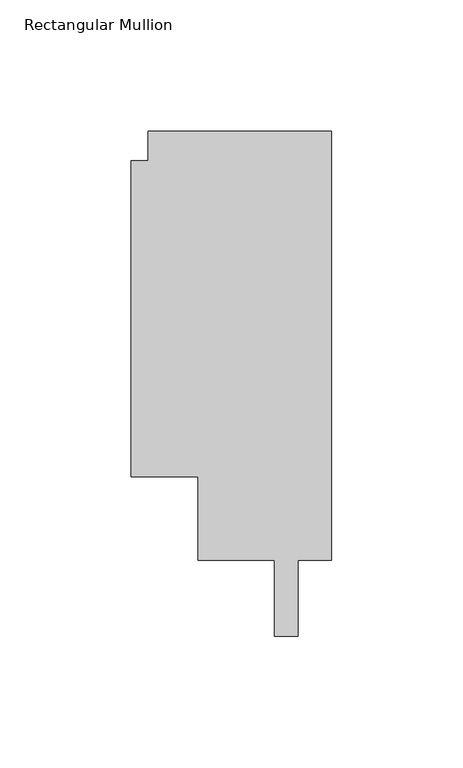
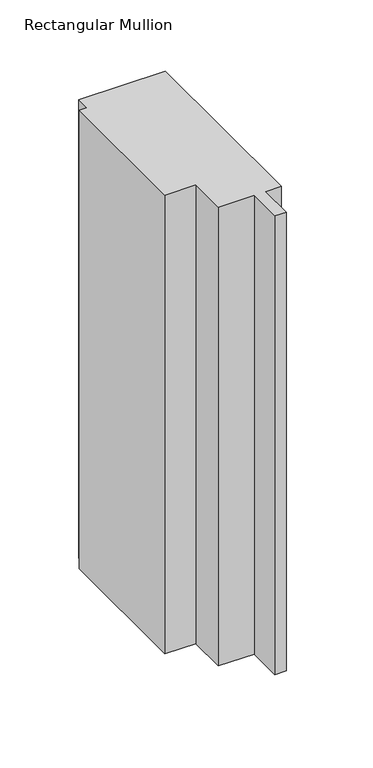
"""IFC4 building model written with IfcOpenShell, lengths in millimetres: member geometry, Rectangular Mullion."""

import ifcopenshell
import ifcopenshell.guid

model = None  # the IFC model being written
_history = None  # IfcOwnerHistory: only IFC2X3 demands one
_inside = {}  # id of a spatial element -> (the spatial element, [elements in it])
_under = {}  # id of a project, library or spatial element -> (it, [spatial elements below it])
_declared = {}  # id of a project -> (the project, [libraries it declares])
_typed = {}  # id of a type object -> (the type object, [elements of that type])
_made_of = {}  # id of a material, layer set ... -> (it, [elements and type objects made of it])


def new_model(schema):
    """Start an empty IFC model of exactly this schema.

    Asked for "IFC4X3", IfcOpenShell would pick the latest addendum, in which some entities
    have other attributes; the version numbers below select the first issue.
    IFC2X3 requires an IfcOwnerHistory on every rooted entity: one is made here for all.
    """
    global model, _history
    if schema == "IFC4X3":
        model = ifcopenshell.file(schema_version=(4, 3, 0, 0))
    else:
        model = ifcopenshell.file(schema=schema)
    _inside.clear()
    _under.clear()
    _declared.clear()
    _typed.clear()
    _made_of.clear()
    _history = None
    if model.schema == "IFC2X3":
        org = make("IfcOrganization", Name="unknown")
        user = make(
            "IfcPersonAndOrganization",
            ThePerson=make("IfcPerson", FamilyName="unknown"),
            TheOrganization=org,
        )
        app = make(
            "IfcApplication",
            ApplicationDeveloper=org,
            Version="unknown",
            ApplicationFullName="unknown",
            ApplicationIdentifier="unknown",
        )
        _history = make(
            "IfcOwnerHistory",
            OwningUser=user,
            OwningApplication=app,
            ChangeAction="ADDED",
            CreationDate=0,
        )
    return model


def make(cls, **values):
    """One entity of the class cls with the attributes given. An attribute that is None is left unset."""
    return model.create_entity(
        cls, **{name: value for name, value in values.items() if value is not None}
    )


def rooted(cls, **values):
    """An entity with a GlobalId (a new one), such as an element, a storey or a relation."""
    return make(cls, GlobalId=ifcopenshell.guid.new(), OwnerHistory=_history, **values)


def si_unit(unit_type, name, prefix=None):
    """IfcSIUnit, for example si_unit("LENGTHUNIT", "METRE", prefix="MILLI")."""
    return make("IfcSIUnit", UnitType=unit_type, Prefix=prefix, Name=name)


def assignment(units):
    """IfcUnitAssignment: the units of a project."""
    return None if units is None else make("IfcUnitAssignment", Units=units)


def point(xyz):
    """IfcCartesianPoint."""
    return None if xyz is None else make("IfcCartesianPoint", Coordinates=xyz)


def direction(xyz):
    """IfcDirection."""
    return None if xyz is None else make("IfcDirection", DirectionRatios=xyz)


def frame(location, z_axis=None, x_axis=None):
    """IfcAxis2Placement3D, a coordinate frame: its origin and axes. An axis left out is left unset."""
    return make(
        "IfcAxis2Placement3D",
        Location=point(location),
        Axis=direction(z_axis),
        RefDirection=direction(x_axis),
    )


def origin():
    """The frame at (0, 0, 0) with its axes left unset."""
    return frame((0.0, 0.0, 0.0))


def place(relative_to, where):
    """IfcLocalPlacement: puts the frame where relative to a parent placement (None: the world)."""
    return make(
        "IfcLocalPlacement", PlacementRelTo=relative_to, RelativePlacement=where
    )


def context(
    kind, dimensions, precision=None, world=None, true_north=None, identifier=None
):
    """IfcGeometricRepresentationContext, for example the 3D "Model" context."""
    return make(
        "IfcGeometricRepresentationContext",
        ContextIdentifier=identifier,
        ContextType=kind,
        CoordinateSpaceDimension=dimensions,
        Precision=precision,
        WorldCoordinateSystem=world,
        TrueNorth=true_north,
    )


def project(units=None, contexts=None):
    """IfcProject with its units and contexts."""
    return rooted(
        "IfcProject",
        Name="project",
        RepresentationContexts=contexts,
        UnitsInContext=assignment(units),
    )


def spatial(cls, under=None, at=None, **own):
    """A site, building, storey or space (cls), placed at a placement, below another one or the project."""
    s = rooted(cls, ObjectPlacement=at, **own)
    if under is not None:
        _under.setdefault(under.id(), (under, []))[1].append(s)
    return s


def polyline(points):
    """IfcPolyline through the points."""
    return make("IfcPolyline", Points=[point(p) for p in points])


def outline(outer, holes=None, kind="AREA"):
    """IfcArbitraryClosedProfileDef: a profile drawn as a closed curve; with holes, ...WithVoids."""
    if holes is None:
        return make("IfcArbitraryClosedProfileDef", ProfileType=kind, OuterCurve=outer)
    return make(
        "IfcArbitraryProfileDefWithVoids",
        ProfileType=kind,
        OuterCurve=outer,
        InnerCurves=holes,
    )


def extrude(swept, where, along, depth):
    """IfcExtrudedAreaSolid: the profile swept, set in the frame where, extruded along a direction by depth."""
    return make(
        "IfcExtrudedAreaSolid",
        SweptArea=swept,
        Position=where,
        ExtrudedDirection=direction(along),
        Depth=depth,
    )


def shape(context_of_items, identifier, shape_type, items):
    """IfcShapeRepresentation: the items that make up one representation, for example the "Body"."""
    return make(
        "IfcShapeRepresentation",
        ContextOfItems=context_of_items,
        RepresentationIdentifier=identifier,
        RepresentationType=shape_type,
        Items=items,
    )


def source(mapping_origin, context_of_items, identifier, shape_type, items):
    """IfcRepresentationMap: a shape defined once, which mapped items show again and again."""
    return make(
        "IfcRepresentationMap",
        MappingOrigin=mapping_origin,
        MappedRepresentation=shape(context_of_items, identifier, shape_type, items),
    )


def transform(
    local_origin,
    x_axis=None,
    y_axis=None,
    z_axis=None,
    scale=None,
    scale2=None,
    scale3=None,
    uniform=True,
):
    """IfcCartesianTransformationOperator3D, or its non-uniform kind. x_axis, y_axis, z_axis: its Axis1, 2, 3."""
    if uniform:
        return make(
            "IfcCartesianTransformationOperator3D",
            Axis1=direction(x_axis),
            Axis2=direction(y_axis),
            LocalOrigin=point(local_origin),
            Scale=scale,
            Axis3=direction(z_axis),
        )
    return make(
        "IfcCartesianTransformationOperator3DnonUniform",
        Axis1=direction(x_axis),
        Axis2=direction(y_axis),
        LocalOrigin=point(local_origin),
        Scale=scale,
        Axis3=direction(z_axis),
        Scale2=scale2,
        Scale3=scale3,
    )


def mapped(mapping_source, mapping_target):
    """IfcMappedItem: shows the shape of a source again, moved by a transform."""
    return make(
        "IfcMappedItem", MappingSource=mapping_source, MappingTarget=mapping_target
    )


def made_of(thing, what):
    """Note that an element or type object is made of a material, layer set ...; save() writes the relation."""
    if what is not None:
        _made_of.setdefault(what.id(), (what, []))[1].append(thing)
    return thing


def element(
    cls,
    number,
    at=None,
    inside=None,
    cuts=None,
    type_object=None,
    material=None,
    context=None,
    identifier="Body",
    shape_type=None,
    held_by="IfcProductDefinitionShape",
    body=None,
    shapes=None,
    **own,
):
    """One element of the class cls, such as IfcWall. Its Tag is "e" and its number.

    at: its placement. inside: the storey or other place that contains it. cuts: it is an
    opening in that element (IfcRelVoidsElement). A single representation is given by context,
    identifier, shape_type and body (its items); several are given by shapes. held_by: the class
    of the entity that holds the representations. save() writes the other relations.
    """
    e = rooted(cls, Tag="e%d" % number, ObjectPlacement=at, **own)
    if body is not None:
        shapes = [shape(context, identifier, shape_type, body)]
    if shapes is not None:
        e.Representation = make(held_by, Representations=shapes)
    if inside is not None:
        _inside.setdefault(inside.id(), (inside, []))[1].append(e)
    if cuts is not None:
        rooted(
            "IfcRelVoidsElement", RelatingBuildingElement=cuts, RelatedOpeningElement=e
        )
    if type_object is not None:
        _typed.setdefault(type_object.id(), (type_object, []))[1].append(e)
    return made_of(e, material)


def aggregate(whole, parts):
    """IfcRelAggregates: a whole, such as a stair, and the parts it consists of."""
    return rooted("IfcRelAggregates", RelatingObject=whole, RelatedObjects=parts)


def save(model, path):
    """Write the relations noted so far, then the file.

    IfcRelAggregates (storeys below a building ...), IfcRelContainedInSpatialStructure (elements
    in a storey), IfcRelDefinesByType, IfcRelAssociatesMaterial and IfcRelDeclares: one each for
    every whole, place, type object, material and project.
    """
    for whole, parts in _under.values():
        aggregate(whole, parts)
    for where, things in _inside.values():
        rooted(
            "IfcRelContainedInSpatialStructure",
            RelatedElements=things,
            RelatingStructure=where,
        )
    for kind, things in _typed.values():
        rooted("IfcRelDefinesByType", RelatedObjects=things, RelatingType=kind)
    for what, things in _made_of.values():
        rooted("IfcRelAssociatesMaterial", RelatedObjects=things, RelatingMaterial=what)
    for by, libraries in _declared.values():
        rooted("IfcRelDeclares", RelatingContext=by, RelatedDefinitions=libraries)
    model.write(path)


def rectangular_mullion_76ad8d2d(model_context):
    return source(origin(), model_context, "Body", "SweptSolid", [
        extrude(outline(polyline([(-69.85, 163.068), (0.0, 163.068), (0.0, 0.0), (-12.7082673, 0.0), (-12.7082673, -29.0594018), (-21.6998673, -29.0594018), (-21.6998673, 0.0), (-50.7999999, 0.0), (-50.7999999, 31.75), (-76.1999999, 31.75), (-76.1999999, 151.892), (-69.85, 151.892), (-69.85, 163.068)])), frame((0.0, 0.0, -393.66825), z_axis=(0.0, 0.0, 1.0), x_axis=(1.0, 0.0, 0.0)), (0.0, 0.0, 1.0), 393.66825),
    ])


if __name__ == "__main__":
    model = new_model("IFC4")
    model_context = context("Model", 3, world=origin())
    ifc_project = project(units=[si_unit("LENGTHUNIT", "METRE", prefix="MILLI")], contexts=[model_context])
    site = spatial("IfcSite", under=ifc_project)
    building = spatial("IfcBuilding", under=site)
    placement = place(None, origin())
    rectangular_mullion_shape = rectangular_mullion_76ad8d2d(model_context)
    element("IfcMember", 1, ObjectType="Rectangular Mullion", at=placement, inside=building, context=model_context, shape_type="MappedRepresentation", body=[
        mapped(rectangular_mullion_shape, transform((0.0, 0.0, 0.0), x_axis=(1.0, 0.0, 0.0), y_axis=(0.0, 1.0, 0.0), z_axis=(0.0, 0.0, 1.0))),
    ])
    save(model, "model.ifc")
